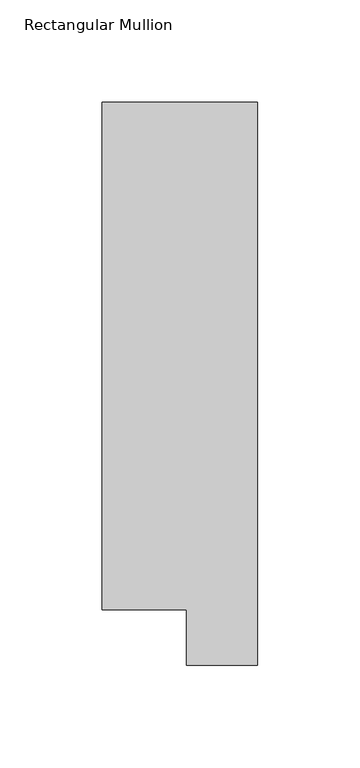
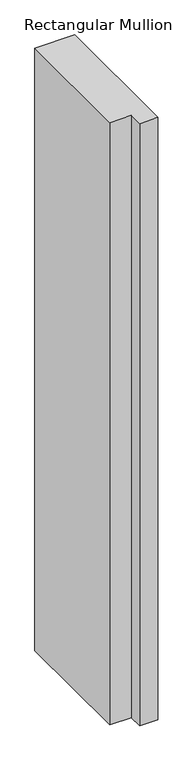
"""IFC4 building model written with IfcOpenShell, lengths in millimetres: member geometry, Rectangular Mullion."""

from ifc_helpers import new_model, si_unit, frame, origin, place, context, project, spatial, polyline, outline, extrude, source, transform, mapped, element, save


def rectangular_mullion_b6b5b6c1(model_context):
    return source(origin(), model_context, "Body", "SweptSolid", [
        extrude(outline(polyline([(0.0, 295.1821312), (0.0, 19.5667313), (-34.9123, 19.5667313), (-34.9123, 46.7447302), (-76.2, 46.7447302), (-76.2, 295.1821312), (0.0, 295.1821312)])), frame((0.0, 0.0, -1219.2), z_axis=(0.0, 0.0, 1.0), x_axis=(1.0, 0.0, 0.0)), (0.0, 0.0, 1.0), 1219.2),
    ])


if __name__ == "__main__":
    model = new_model("IFC4")
    model_context = context("Model", 3, world=origin())
    ifc_project = project(units=[si_unit("LENGTHUNIT", "METRE", prefix="MILLI")], contexts=[model_context])
    site = spatial("IfcSite", under=ifc_project)
    building = spatial("IfcBuilding", under=site)
    placement = place(None, origin())
    rectangular_mullion_shape = rectangular_mullion_b6b5b6c1(model_context)
    element("IfcMember", 1, ObjectType="Rectangular Mullion", at=placement, inside=building, context=model_context, shape_type="MappedRepresentation", body=[
        mapped(rectangular_mullion_shape, transform((0.0, 0.0, 0.0), x_axis=(1.0, 0.0, 0.0), y_axis=(0.0, 1.0, 0.0), z_axis=(0.0, 0.0, 1.0))),
    ])
    save(model, "model.ifc")
